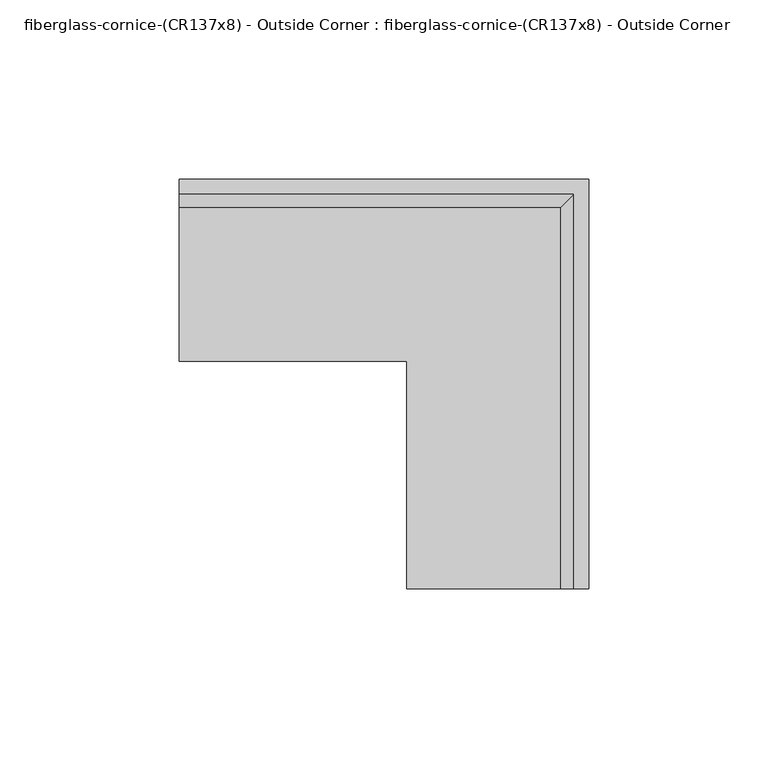
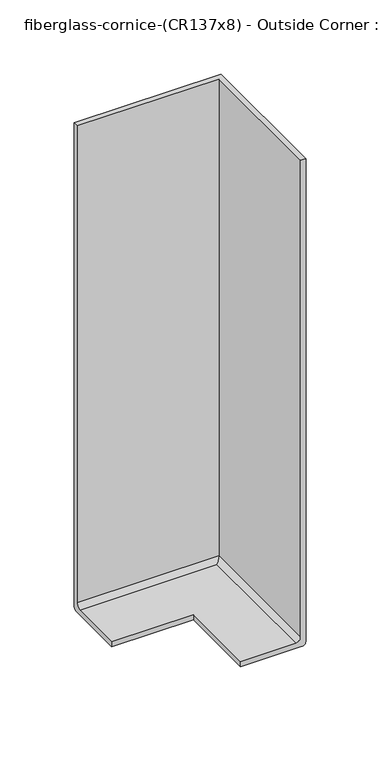
"""IFC4 building model written with IfcOpenShell, lengths in millimetres: furniture geometry, fiberglass-cornice-(CR137x8) - Outside Corner : fiberglass-cornice-(CR137x8) - Outside Corner."""

from ifc_helpers import new_model, si_unit, frame, origin, place, context, project, spatial, polyline, circle_curve, ellipse_curve, source, transform, mapped, element, save
from ifc_brep_helpers import plane_surface, cylinder_surface, revolved_surface, advanced_brep


def fiberglass_cornice_cr137x8_outside_corner_fiberglass_cornice_e6ec48e1(model_context):
    return source(origin(), model_context, "Body", "AdvancedBrep", [
        advanced_brep(
        [(-196.9488213, 152.4, 330.1999904), (-196.9488213, 152.4, -66.6750096), (-196.9488213, 149.225, -69.8500096), (-196.9488213, 101.6, -69.8500096), (-196.9488213, 101.6, -65.7225096), (-196.9488213, 144.4625, -65.7225096), (-196.9488213, 148.2725, -61.9125096), (-196.9488213, 148.2725, 330.1999904), (-82.5496026, 38.0007813, 330.1999904), (-86.6771026, 38.0007813, 330.1999904), (-86.6771026, 38.0007813, -61.9125096), (-90.4871026, 38.0007813, -65.7225096), (-133.3496026, 38.0007813, -65.7225096), (-133.3496026, 38.0007813, -69.8500096), (-85.7246026, 38.0007813, -69.8500096), (-82.5496026, 38.0007813, -66.6750096), (-82.5496026, 152.4, 330.1999904), (-82.5496026, 152.4, -66.6750096), (-85.7246026, 149.225, -69.8500096), (-133.3496026, 101.6, -69.8500096), (-133.3496026, 101.6, -65.7225096), (-90.4871026, 144.4625, -65.7225096), (-86.6771026, 148.2725, -61.9125096), (-86.6771026, 148.2725, 330.1999904)],
        [
            (0, 1),
            (1, 2, circle_curve(frame((-196.9488213, 149.225, -66.6750096), z_axis=(-1.0, 0.0, 0.0), x_axis=(0.0, 1.0, 0.0)), 3.175)),
            (2, 3),
            (3, 4),
            (4, 5),
            (5, 6, circle_curve(frame((-196.9488213, 144.4625, -61.9125096), z_axis=(1.0, 0.0, 0.0), x_axis=(0.0, 1.0, 0.0)), 3.81)),
            (6, 7),
            (7, 0),
            (8, 9),
            (9, 10),
            (10, 11, circle_curve(frame((-90.4871026, 38.0007813, -61.9125096), z_axis=(0.0, 1.0, 0.0), x_axis=(1.0, 0.0, 0.0)), 3.81)),
            (11, 12),
            (12, 13),
            (13, 14),
            (14, 15, circle_curve(frame((-85.7246026, 38.0007813, -66.6750096), z_axis=(0.0, -1.0, 0.0), x_axis=(1.0, 0.0, 0.0)), 3.175)),
            (15, 8),
            (0, 16),
            (16, 17),
            (17, 1),
            (17, 18, ellipse_curve(frame((-85.7246026, 149.225, -66.6750096), z_axis=(-0.7071067811865563, 0.7071067811865387, 0.0), x_axis=(-0.7071067811865387, -0.7071067811865565, 0.0)), 4.4901281, 3.175)),
            (18, 2),
            (18, 14),
            (13, 19),
            (19, 3),
            (19, 20),
            (20, 4),
            (20, 12),
            (11, 21),
            (21, 5),
            (21, 22, ellipse_curve(frame((-90.4871026, 144.4625, -61.9125096), z_axis=(0.7071067811865563, -0.7071067811865387, 0.0), x_axis=(0.7071067811865387, 0.7071067811865565, 0.0)), 5.3881537, 3.81)),
            (22, 6),
            (22, 23),
            (23, 7),
            (23, 9),
            (8, 16),
            (15, 17),
            (10, 22),
        ],
        [
            plane_surface(frame((-196.9488213, 101.6, 330.1999904), z_axis=(-1.0, 0.0, 0.0), x_axis=(0.0, 0.0, 1.0))),
            plane_surface(frame((-133.3496026, 38.0007813, 330.1999904), z_axis=(0.0, -1.0, 0.0), x_axis=(0.0, 0.0, 1.0))),
            plane_surface(frame((-196.9488213, 152.4, 330.1999904), z_axis=(0.0, 1.0, 0.0), x_axis=(1.0, 0.0, 0.0))),
            cylinder_surface(frame((-196.9488213, 149.225, -66.6750096), z_axis=(-1.0, 0.0, 0.0), x_axis=(0.0, 1.0, 0.0)), 3.175),
            plane_surface(frame((-196.9488213, 149.225, -69.8500096), z_axis=(0.0, 0.0, -1.0), x_axis=(1.0, 0.0, 0.0))),
            plane_surface(frame((-196.9488213, 101.6, -69.8500096), z_axis=(0.0, -1.0, 0.0), x_axis=(1.0, 0.0, 0.0))),
            plane_surface(frame((-196.9488213, 101.6, -65.7225096), z_axis=(0.0, 0.0, 1.0), x_axis=(1.0, 0.0, 0.0))),
            revolved_surface(polyline([(-86.67710258065466, 148.2725, -61.9125096), (-196.9488213, 148.2725, -61.9125096)]), (-196.9488213, 144.4625, -61.9125096), (1.0, 0.0, 0.0)),
            plane_surface(frame((-196.9488213, 148.2725, -61.9125096), z_axis=(0.0, -1.0, 0.0), x_axis=(1.0, 0.0, 0.0))),
            plane_surface(frame((-196.9488213, 148.2725, 330.1999904), z_axis=(0.0, 0.0, 1.0), x_axis=(1.0, 0.0, 0.0))),
            plane_surface(frame((-82.5496026, 152.4, 330.1999904), z_axis=(1.0, 0.0, 0.0), x_axis=(0.0, -1.0, 0.0))),
            cylinder_surface(frame((-85.7246026, 101.6, -66.6750096), z_axis=(0.0, 1.0, 0.0), x_axis=(1.0, 0.0, 0.0)), 3.175),
            plane_surface(frame((-133.3496026, 101.6, -69.8500096), z_axis=(-1.0, 0.0, 0.0), x_axis=(0.0, -1.0, 0.0))),
            revolved_surface(polyline([(-86.6771026, 38.0007813, -61.9125096), (-86.6771026, 148.27250001934544, -61.9125096)]), (-90.4871026, 101.6, -61.9125096), (0.0, -1.0, 0.0)),
            plane_surface(frame((-86.6771026, 148.2725, -61.9125096), z_axis=(-1.0, 0.0, 0.0), x_axis=(0.0, -1.0, 0.0))),
        ],
        [
            (0, [[1, 2, 3, 4, 5, 6, 7, 8]]),
            (1, [[9, 10, 11, 12, 13, 14, 15, 16]]),
            (2, [[-1, 17, 18, 19]]),
            (3, [[-2, -19, 20, 21]]),
            (4, [[-3, -21, 22, -14, 23, 24]]),
            (5, [[-4, -24, 25, 26]]),
            (6, [[-5, -26, 27, -12, 28, 29]]),
            (7, [[-6, -29, 30, 31]]),
            (8, [[-7, -31, 32, 33]]),
            (9, [[-8, -33, 34, -9, 35, -17]]),
            (10, [[-18, -35, -16, 36]]),
            (11, [[-20, -36, -15, -22]]),
            (12, [[-25, -23, -13, -27]]),
            (13, [[-30, -28, -11, 37]]),
            (14, [[-32, -37, -10, -34]]),
        ],
    ),
    ])


if __name__ == "__main__":
    model = new_model("IFC4")
    model_context = context("Model", 3, world=origin())
    ifc_project = project(units=[si_unit("LENGTHUNIT", "METRE", prefix="MILLI")], contexts=[model_context])
    site = spatial("IfcSite", under=ifc_project)
    building = spatial("IfcBuilding", under=site)
    placement = place(None, origin())
    fiberglass_cornice_cr137x8_outside_corner_fiberglass_cornice_shape = fiberglass_cornice_cr137x8_outside_corner_fiberglass_cornice_e6ec48e1(model_context)
    element("IfcFurniture", 1, ObjectType="fiberglass-cornice-(CR137x8) - Outside Corner : fiberglass-cornice-(CR137x8) - Outside Corner", at=placement, inside=building, context=model_context, shape_type="MappedRepresentation", body=[
        mapped(fiberglass_cornice_cr137x8_outside_corner_fiberglass_cornice_shape, transform((0.0, 0.0, 0.0), x_axis=(1.0, 0.0, 0.0), y_axis=(0.0, 1.0, 0.0), z_axis=(0.0, 0.0, 1.0))),
    ])
    save(model, "model.ifc")
